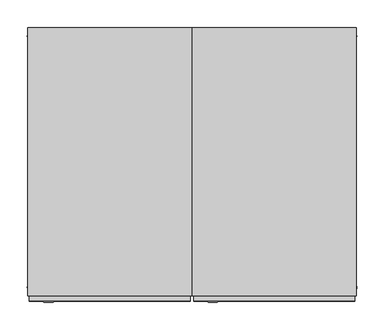
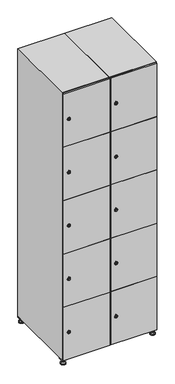
"""IFC4 building model written with IfcOpenShell, lengths in millimetres: furniture geometry."""

from ifc_helpers import new_model, si_unit, point, frame, frame_2d, origin, origin_with_axes, place, context, project, spatial, polyline, circle_curve, trimmed, segment, composite_curve, outline, extrude, faceted_brep, source, transform, mapped, element, save
from ifc_brep_helpers import plane_surface, revolved_surface, advanced_brep


def furniture_9e9843b9(model_context):
    return source(origin(), model_context, "Body", "SolidModel", [
        extrude(outline(polyline([(400.0, 245.0), (400.0, 215.0), (370.0, 215.0), (370.0, 245.0), (400.0, 245.0)]), holes=[polyline([(398.0, 243.0), (372.0, 243.0), (372.0, 217.0), (398.0, 217.0), (398.0, 243.0)])]), frame((0.0, 0.0, 28.5), z_axis=(0.0, 0.0, 1.0), x_axis=(1.0, 0.0, 0.0)), (0.0, 0.0, 1.0), 6.5),
        extrude(outline(polyline([(370.0, -245.0), (370.0, -215.0), (400.0, -215.0), (400.0, -245.0), (370.0, -245.0)]), holes=[polyline([(372.0, -243.0), (398.0, -243.0), (398.0, -217.0), (372.0, -217.0), (372.0, -243.0)])]), frame((0.0, 0.0, 28.5), z_axis=(0.0, 0.0, 1.0), x_axis=(1.0, 0.0, 0.0)), (0.0, 0.0, 1.0), 6.5),
        extrude(outline(polyline([(-170.0, 245.0), (-170.0, 215.0), (-200.0, 215.0), (-200.0, 245.0), (-170.0, 245.0)]), holes=[polyline([(-172.0, 243.0), (-198.0, 243.0), (-198.0, 217.0), (-172.0, 217.0), (-172.0, 243.0)])]), frame((0.0, 0.0, 28.5), z_axis=(0.0, 0.0, 1.0), x_axis=(1.0, 0.0, 0.0)), (0.0, 0.0, 1.0), 6.5),
        extrude(outline(polyline([(-170.0, -215.0), (-170.0, -245.0), (-200.0, -245.0), (-200.0, -215.0), (-170.0, -215.0)]), holes=[polyline([(-198.0, -243.0), (-172.0, -243.0), (-172.0, -217.0), (-198.0, -217.0), (-198.0, -243.0)])]), frame((0.0, 0.0, 28.5), z_axis=(0.0, 0.0, 1.0), x_axis=(1.0, 0.0, 0.0)), (0.0, 0.0, 1.0), 6.5),
        extrude(outline(composite_curve([segment(trimmed(circle_curve(frame_2d((-185.0, 230.0)), 5.0), [point((-180.0, 230.0))], [point((-190.0, 230.0))], False, "CARTESIAN"), True, "CONTINUOUS"), segment(trimmed(circle_curve(frame_2d((-185.0, 230.0)), 5.0), [point((-190.0, 230.0))], [point((-180.0, 230.0))], False, "CARTESIAN"), True, "CONTINUOUS")], self_intersect=False)), frame((0.0, 0.0, 19.6), z_axis=(0.0, 0.0, 1.0), x_axis=(1.0, 0.0, 0.0)), (0.0, 0.0, 1.0), 15.4),
        extrude(outline(composite_curve([segment(trimmed(circle_curve(frame_2d((-185.0, -230.0)), 5.0), [point((-180.0, -230.0))], [point((-190.0, -230.0))], False, "CARTESIAN"), True, "CONTINUOUS"), segment(trimmed(circle_curve(frame_2d((-185.0, -230.0)), 5.0), [point((-190.0, -230.0))], [point((-180.0, -230.0))], False, "CARTESIAN"), True, "CONTINUOUS")], self_intersect=False)), frame((0.0, 0.0, 19.6), z_axis=(0.0, 0.0, 1.0), x_axis=(1.0, 0.0, 0.0)), (0.0, 0.0, 1.0), 15.4),
        extrude(outline(composite_curve([segment(trimmed(circle_curve(frame_2d((385.0, 230.0)), 5.0), [point((390.0, 230.0))], [point((380.0, 230.0))], False, "CARTESIAN"), True, "CONTINUOUS"), segment(trimmed(circle_curve(frame_2d((385.0, 230.0)), 5.0), [point((380.0, 230.0))], [point((390.0, 230.0))], False, "CARTESIAN"), True, "CONTINUOUS")], self_intersect=False)), frame((0.0, 0.0, 19.6), z_axis=(0.0, 0.0, 1.0), x_axis=(1.0, 0.0, 0.0)), (0.0, 0.0, 1.0), 15.4),
        extrude(outline(polyline([(373.4529946, 230.0), (379.2264973, 240.0), (390.7735027, 240.0), (396.5470054, 230.0), (390.7735027, 220.0), (379.2264973, 220.0), (373.4529946, 230.0)])), frame((0.0, 0.0, 13.6), z_axis=(0.0, 0.0, 1.0), x_axis=(1.0, 0.0, 0.0)), (0.0, 0.0, 1.0), 6.0),
        extrude(outline(composite_curve([segment(trimmed(circle_curve(frame_2d((385.0, -230.0)), 5.0), [point((390.0, -230.0))], [point((380.0, -230.0))], False, "CARTESIAN"), True, "CONTINUOUS"), segment(trimmed(circle_curve(frame_2d((385.0, -230.0)), 5.0), [point((380.0, -230.0))], [point((390.0, -230.0))], False, "CARTESIAN"), True, "CONTINUOUS")], self_intersect=False)), frame((0.0, 0.0, 19.6), z_axis=(0.0, 0.0, 1.0), x_axis=(1.0, 0.0, 0.0)), (0.0, 0.0, 1.0), 15.4),
        extrude(outline(polyline([(373.4529946, -230.0), (379.2264973, -220.0), (390.7735027, -220.0), (396.5470054, -230.0), (390.7735027, -240.0), (379.2264973, -240.0), (373.4529946, -230.0)])), frame((0.0, 0.0, 13.6), z_axis=(0.0, 0.0, 1.0), x_axis=(1.0, 0.0, 0.0)), (0.0, 0.0, 1.0), 6.0),
        extrude(outline(composite_curve([segment(trimmed(circle_curve(frame_2d((385.0, 230.0)), 5.0), [point((390.0, 230.0))], [point((380.0, 230.0))], False, "CARTESIAN"), True, "CONTINUOUS"), segment(trimmed(circle_curve(frame_2d((385.0, 230.0)), 5.0), [point((380.0, 230.0))], [point((390.0, 230.0))], False, "CARTESIAN"), True, "CONTINUOUS")], self_intersect=False)), frame((0.0, 0.0, 12.1), z_axis=(0.0, 0.0, 1.0), x_axis=(1.0, 0.0, 0.0)), (0.0, 0.0, 1.0), 1.5),
        extrude(outline(composite_curve([segment(trimmed(circle_curve(frame_2d((385.0, -230.0)), 5.0), [point((390.0, -230.0))], [point((380.0, -230.0))], False, "CARTESIAN"), True, "CONTINUOUS"), segment(trimmed(circle_curve(frame_2d((385.0, -230.0)), 5.0), [point((380.0, -230.0))], [point((390.0, -230.0))], False, "CARTESIAN"), True, "CONTINUOUS")], self_intersect=False)), frame((0.0, 0.0, 12.1), z_axis=(0.0, 0.0, 1.0), x_axis=(1.0, 0.0, 0.0)), (0.0, 0.0, 1.0), 1.5),
        extrude(outline(polyline([(-196.5470054, 230.0), (-190.7735027, 240.0), (-179.2264973, 240.0), (-173.4529946, 230.0), (-179.2264973, 220.0), (-190.7735027, 220.0), (-196.5470054, 230.0)])), frame((0.0, 0.0, 13.6), z_axis=(0.0, 0.0, 1.0), x_axis=(1.0, 0.0, 0.0)), (0.0, 0.0, 1.0), 6.0),
        extrude(outline(polyline([(-196.5470054, -230.0), (-190.7735027, -220.0), (-179.2264973, -220.0), (-173.4529946, -230.0), (-179.2264973, -240.0), (-190.7735027, -240.0), (-196.5470054, -230.0)])), frame((0.0, 0.0, 13.6), z_axis=(0.0, 0.0, 1.0), x_axis=(1.0, 0.0, 0.0)), (0.0, 0.0, 1.0), 6.0),
        extrude(outline(composite_curve([segment(trimmed(circle_curve(frame_2d((-185.0, 230.0)), 5.0), [point((-185.0, 235.0))], [point((-185.0, 225.0))], False, "CARTESIAN"), True, "CONTINUOUS"), segment(trimmed(circle_curve(frame_2d((-185.0, 230.0)), 5.0), [point((-185.0, 225.0))], [point((-185.0, 235.0))], False, "CARTESIAN"), True, "CONTINUOUS")], self_intersect=False)), frame((0.0, 0.0, 12.1), z_axis=(0.0, 0.0, 1.0), x_axis=(1.0, 0.0, 0.0)), (0.0, 0.0, 1.0), 1.5),
        extrude(outline(composite_curve([segment(trimmed(circle_curve(frame_2d((-185.0, -230.0)), 5.0), [point((-180.0, -230.0))], [point((-190.0, -230.0))], False, "CARTESIAN"), True, "CONTINUOUS"), segment(trimmed(circle_curve(frame_2d((-185.0, -230.0)), 5.0), [point((-190.0, -230.0))], [point((-180.0, -230.0))], False, "CARTESIAN"), True, "CONTINUOUS")], self_intersect=False)), frame((0.0, 0.0, 12.1), z_axis=(0.0, 0.0, 1.0), x_axis=(1.0, 0.0, 0.0)), (0.0, 0.0, 1.0), 1.5),
        extrude(outline(composite_curve([segment(trimmed(circle_curve(frame_2d((385.0, 230.0)), 15.75), [point((400.75, 230.0))], [point((369.25, 230.0))], False, "CARTESIAN"), True, "CONTINUOUS"), segment(trimmed(circle_curve(frame_2d((385.0, 230.0)), 15.75), [point((369.25, 230.0))], [point((400.75, 230.0))], False, "CARTESIAN"), True, "CONTINUOUS")], self_intersect=False)), origin_with_axes(), (0.0, 0.0, 1.0), 5.1),
        extrude(outline(composite_curve([segment(trimmed(circle_curve(frame_2d((385.0, -230.0)), 15.75), [point((385.0, -214.25))], [point((385.0, -245.75))], False, "CARTESIAN"), True, "CONTINUOUS"), segment(trimmed(circle_curve(frame_2d((385.0, -230.0)), 15.75), [point((385.0, -245.75))], [point((385.0, -214.25))], False, "CARTESIAN"), True, "CONTINUOUS")], self_intersect=False)), origin_with_axes(), (0.0, 0.0, 1.0), 5.1),
        extrude(outline(composite_curve([segment(trimmed(circle_curve(frame_2d((-185.0, -230.0)), 15.75), [point((-169.25, -230.0))], [point((-200.75, -230.0))], False, "CARTESIAN"), True, "CONTINUOUS"), segment(trimmed(circle_curve(frame_2d((-185.0, -230.0)), 15.75), [point((-200.75, -230.0))], [point((-169.25, -230.0))], False, "CARTESIAN"), True, "CONTINUOUS")], self_intersect=False)), origin_with_axes(), (0.0, 0.0, 1.0), 5.1),
        extrude(outline(composite_curve([segment(trimmed(circle_curve(frame_2d((-185.0, 230.0)), 15.75), [point((-169.25, 230.0))], [point((-200.75, 230.0))], False, "CARTESIAN"), True, "CONTINUOUS"), segment(trimmed(circle_curve(frame_2d((-185.0, 230.0)), 15.75), [point((-200.75, 230.0))], [point((-169.25, 230.0))], False, "CARTESIAN"), True, "CONTINUOUS")], self_intersect=False)), origin_with_axes(), (0.0, 0.0, 1.0), 5.1),
        advanced_brep(
        [(-185.0, 239.5, 12.1), (-185.0, 220.5, 12.1), (-185.0, 214.25, 5.1), (-185.0, 245.75, 5.1)],
        [
            (0, 1, circle_curve(frame((-185.0, 230.0, 12.1), z_axis=(0.0, 0.0, -1.0), x_axis=(0.0, 1.0, 0.0)), 9.5)),
            (1, 2),
            (2, 3, circle_curve(frame((-185.0, 230.0, 5.1), z_axis=(0.0, 0.0, 1.0), x_axis=(0.0, 1.0, 0.0)), 15.75)),
            (3, 0),
            (1, 0, circle_curve(frame((-185.0, 230.0, 12.1), z_axis=(0.0, 0.0, -1.0), x_axis=(0.0, -1.0, 0.0)), 9.5)),
            (3, 2, circle_curve(frame((-185.0, 230.0, 5.1), z_axis=(0.0, 0.0, 1.0), x_axis=(0.0, -1.0, 0.0)), 15.75)),
        ],
        [
            revolved_surface(polyline([(-185.0, 220.5, 12.099999999999998), (-185.0, 214.25, 5.099999999999998)]), (-185.0, 230.0, 22.74), (0.0, 0.0, -1.0)),
            revolved_surface(polyline([(-185.0, 239.5, 12.099999999999998), (-185.0, 245.75, 5.099999999999998)]), (-185.0, 230.0, 22.74), (0.0, 0.0, -1.0)),
            plane_surface(frame((-185.0, 230.0, 5.1), z_axis=(0.0, 0.0, -1.0), x_axis=(1.0, 0.0, 0.0))),
            plane_surface(frame((-185.0, 230.0, 12.1), z_axis=(0.0, 0.0, 1.0), x_axis=(1.0, 0.0, 0.0))),
        ],
        [
            (0, [[1, 2, 3, 4]]),
            (1, [[5, -4, 6, -2]]),
            (2, [[-3, -6]]),
            (3, [[-5, -1]]),
        ],
    ),
        advanced_brep(
        [(385.0, 239.5, 12.1), (385.0, 220.5, 12.1), (385.0, 214.25, 5.1), (385.0, 245.75, 5.1)],
        [
            (0, 1, circle_curve(frame((385.0, 230.0, 12.1), z_axis=(0.0, 0.0, -1.0), x_axis=(0.0, 1.0, 0.0)), 9.5)),
            (1, 2),
            (2, 3, circle_curve(frame((385.0, 230.0, 5.1), z_axis=(0.0, 0.0, 1.0), x_axis=(0.0, 1.0, 0.0)), 15.75)),
            (3, 0),
            (1, 0, circle_curve(frame((385.0, 230.0, 12.1), z_axis=(0.0, 0.0, -1.0), x_axis=(0.0, -1.0, 0.0)), 9.5)),
            (3, 2, circle_curve(frame((385.0, 230.0, 5.1), z_axis=(0.0, 0.0, 1.0), x_axis=(0.0, -1.0, 0.0)), 15.75)),
        ],
        [
            revolved_surface(polyline([(385.0, 220.5, 12.099999999999998), (385.0, 214.25, 5.099999999999998)]), (385.0, 230.0, 22.74), (0.0, 0.0, -1.0)),
            revolved_surface(polyline([(385.0, 239.5, 12.099999999999998), (385.0, 245.75, 5.099999999999998)]), (385.0, 230.0, 22.74), (0.0, 0.0, -1.0)),
            plane_surface(frame((385.0, 230.0, 5.1), z_axis=(0.0, 0.0, -1.0), x_axis=(1.0, 0.0, 0.0))),
            plane_surface(frame((385.0, 230.0, 12.1), z_axis=(0.0, 0.0, 1.0), x_axis=(1.0, 0.0, 0.0))),
        ],
        [
            (0, [[1, 2, 3, 4]]),
            (1, [[5, -4, 6, -2]]),
            (2, [[-3, -6]]),
            (3, [[-5, -1]]),
        ],
    ),
        advanced_brep(
        [(400.75, -230.0, 5.1), (369.25, -230.0, 5.1), (375.5, -230.0, 12.1), (394.5, -230.0, 12.1)],
        [
            (0, 1, circle_curve(frame((385.0, -230.0, 5.1), z_axis=(0.0, 0.0, 1.0), x_axis=(1.0, 0.0, 0.0)), 15.75)),
            (1, 2),
            (2, 3, circle_curve(frame((385.0, -230.0, 12.1), z_axis=(0.0, 0.0, -1.0), x_axis=(1.0, 0.0, 0.0)), 9.5)),
            (3, 0),
            (1, 0, circle_curve(frame((385.0, -230.0, 5.1), z_axis=(0.0, 0.0, 1.0), x_axis=(-1.0, 0.0, 0.0)), 15.75)),
            (3, 2, circle_curve(frame((385.0, -230.0, 12.1), z_axis=(0.0, 0.0, -1.0), x_axis=(-1.0, 0.0, 0.0)), 9.5)),
        ],
        [
            revolved_surface(polyline([(394.5, -230.0, 12.099999999999998), (400.75, -230.0, 5.099999999999998)]), (385.0, -230.0, 22.74), (0.0, 0.0, -1.0)),
            revolved_surface(polyline([(375.5, -230.0, 12.099999999999998), (369.25, -230.0, 5.099999999999998)]), (385.0, -230.0, 22.74), (0.0, 0.0, -1.0)),
            plane_surface(frame((385.0, -230.0, 12.1), z_axis=(0.0, 0.0, 1.0), x_axis=(0.0, 1.0, 0.0))),
            plane_surface(frame((385.0, -230.0, 5.1), z_axis=(0.0, 0.0, -1.0), x_axis=(0.0, 1.0, 0.0))),
        ],
        [
            (0, [[1, 2, 3, 4]]),
            (1, [[5, -4, 6, -2]]),
            (2, [[-3, -6]]),
            (3, [[-5, -1]]),
        ],
    ),
        advanced_brep(
        [(-169.25, -230.0, 5.1), (-200.75, -230.0, 5.1), (-194.5, -230.0, 12.1), (-175.5, -230.0, 12.1)],
        [
            (0, 1, circle_curve(frame((-185.0, -230.0, 5.1), z_axis=(0.0, 0.0, 1.0), x_axis=(1.0, 0.0, 0.0)), 15.75)),
            (1, 2),
            (2, 3, circle_curve(frame((-185.0, -230.0, 12.1), z_axis=(0.0, 0.0, -1.0), x_axis=(1.0, 0.0, 0.0)), 9.5)),
            (3, 0),
            (1, 0, circle_curve(frame((-185.0, -230.0, 5.1), z_axis=(0.0, 0.0, 1.0), x_axis=(-1.0, 0.0, 0.0)), 15.75)),
            (3, 2, circle_curve(frame((-185.0, -230.0, 12.1), z_axis=(0.0, 0.0, -1.0), x_axis=(-1.0, 0.0, 0.0)), 9.5)),
        ],
        [
            revolved_surface(polyline([(-175.5, -230.0, 12.099999999999998), (-169.25, -230.0, 5.099999999999998)]), (-185.0, -230.0, 22.74), (0.0, 0.0, -1.0)),
            revolved_surface(polyline([(-194.5, -230.0, 12.099999999999998), (-200.75, -230.0, 5.099999999999998)]), (-185.0, -230.0, 22.74), (0.0, 0.0, -1.0)),
            plane_surface(frame((-185.0, -230.0, 12.1), z_axis=(0.0, 0.0, 1.0), x_axis=(0.0, 1.0, 0.0))),
            plane_surface(frame((-185.0, -230.0, 5.1), z_axis=(0.0, 0.0, -1.0), x_axis=(0.0, 1.0, 0.0))),
        ],
        [
            (0, [[1, 2, 3, 4]]),
            (1, [[5, -4, 6, -2]]),
            (2, [[-3, -6]]),
            (3, [[-5, -1]]),
        ],
    ),
        extrude(outline(composite_curve([segment(trimmed(circle_curve(frame_2d((217.4, 111.2010534)), 7.0), [point((224.4, 111.2010534))], [point((210.4, 111.2010534))], False, "CARTESIAN"), True, "CONTINUOUS"), segment(polyline([(210.4, 111.2010534), (210.4, 139.2010534)]), True, "CONTINUOUS"), segment(trimmed(circle_curve(frame_2d((217.4, 139.2010534)), 7.0), [point((210.4, 139.2010534))], [point((224.4, 139.2010534))], False, "CARTESIAN"), True, "CONTINUOUS"), segment(polyline([(224.4, 139.2010534), (224.4, 111.2010534)]), True, "CONTINUOUS")], self_intersect=False)), frame((0.0, -245.0, 0.0), z_axis=(0.0, 1.0, 0.0), x_axis=(0.0, 0.0, 1.0)), (0.0, 0.0, 1.0), 2.0),
        advanced_brep(
        [(146.5, -257.2, 217.4), (129.5, -257.2, 217.4), (133.0, -257.2, 216.15), (133.0, -257.2, 218.65), (143.0, -257.2, 218.65), (143.0, -257.2, 216.15), (148.5, -255.0, 217.4), (127.5, -255.0, 217.4), (133.0, -255.0, 218.65), (133.0, -255.0, 216.15), (143.0, -255.0, 216.15), (143.0, -255.0, 218.65)],
        [
            (0, 1, circle_curve(frame((138.0, -257.2, 217.4), z_axis=(0.0, -1.0, 0.0), x_axis=(1.0, 0.0, 0.0)), 8.5)),
            (1, 0, circle_curve(frame((138.0, -257.2, 217.4), z_axis=(0.0, -1.0, 0.0), x_axis=(-1.0, 0.0, 0.0)), 8.5)),
            (2, 3),
            (3, 4),
            (4, 5),
            (5, 2),
            (6, 7, circle_curve(frame((138.0, -255.0, 217.4), z_axis=(0.0, 1.0, 0.0), x_axis=(-1.0, 0.0, 0.0)), 10.5)),
            (7, 6, circle_curve(frame((138.0, -255.0, 217.4), z_axis=(0.0, 1.0, 0.0), x_axis=(1.0, 0.0, 0.0)), 10.5)),
            (8, 9),
            (9, 10),
            (10, 11),
            (11, 8),
            (0, 6),
            (7, 1),
            (8, 3),
            (2, 9),
            (11, 4),
            (10, 5),
        ],
        [
            plane_surface(frame((138.0, -257.2, 217.4), z_axis=(0.0, -1.0, 0.0), x_axis=(0.0, 0.0, 1.0))),
            plane_surface(frame((138.0, -255.0, 217.4), z_axis=(0.0, 1.0, 0.0), x_axis=(0.0, 0.0, 1.0))),
            revolved_surface(polyline([(146.5, -257.2, 217.4), (148.5, -255.0, 217.4)]), (138.0, -266.55, 217.4), (0.0, 1.0, 0.0)),
            revolved_surface(polyline([(129.5, -257.2, 217.4), (127.5, -255.0, 217.4)]), (138.0, -266.55, 217.4), (0.0, 1.0, 0.0)),
            plane_surface(frame((133.0, -255.0, 216.15), z_axis=(1.0, 0.0, 0.0), x_axis=(0.0, -1.0, 0.0))),
            plane_surface(frame((133.0, -255.0, 218.65), z_axis=(0.0, 0.0, -1.0), x_axis=(0.0, -1.0, 0.0))),
            plane_surface(frame((143.0, -255.0, 218.65), z_axis=(-1.0, 0.0, 0.0), x_axis=(0.0, -1.0, 0.0))),
            plane_surface(frame((143.0, -255.0, 216.15), z_axis=(0.0, 0.0, 1.0), x_axis=(0.0, -1.0, 0.0))),
        ],
        [
            (0, [[1, 2], [3, 4, 5, 6]]),
            (1, [[7, 8], [9, 10, 11, 12]]),
            (2, [[-1, 13, -8, 14]]),
            (3, [[-2, -14, -7, -13]]),
            (4, [[15, -3, 16, -9]]),
            (5, [[-15, -12, 17, -4]]),
            (6, [[-17, -11, 18, -5]]),
            (7, [[-16, -6, -18, -10]]),
        ],
    ),
        extrude(outline(composite_curve([segment(trimmed(circle_curve(frame_2d((576.2, 111.2010534)), 7.0), [point((583.2, 111.2010534))], [point((569.2, 111.2010534))], False, "CARTESIAN"), True, "CONTINUOUS"), segment(polyline([(569.2, 111.2010534), (569.2, 139.2010534)]), True, "CONTINUOUS"), segment(trimmed(circle_curve(frame_2d((576.2, 139.2010534)), 7.0), [point((569.2, 139.2010534))], [point((583.2, 139.2010534))], False, "CARTESIAN"), True, "CONTINUOUS"), segment(polyline([(583.2, 139.2010534), (583.2, 111.2010534)]), True, "CONTINUOUS")], self_intersect=False)), frame((0.0, -245.0, 0.0), z_axis=(0.0, 1.0, 0.0), x_axis=(0.0, 0.0, 1.0)), (0.0, 0.0, 1.0), 2.0),
        advanced_brep(
        [(146.5, -257.2, 576.2), (129.5, -257.2, 576.2), (133.0, -257.2, 574.95), (133.0, -257.2, 577.45), (143.0, -257.2, 577.45), (143.0, -257.2, 574.95), (148.5, -255.0, 576.2), (127.5, -255.0, 576.2), (133.0, -255.0, 577.45), (133.0, -255.0, 574.95), (143.0, -255.0, 574.95), (143.0, -255.0, 577.45)],
        [
            (0, 1, circle_curve(frame((138.0, -257.2, 576.2), z_axis=(0.0, -1.0, 0.0), x_axis=(1.0, 0.0, 0.0)), 8.5)),
            (1, 0, circle_curve(frame((138.0, -257.2, 576.2), z_axis=(0.0, -1.0, 0.0), x_axis=(-1.0, 0.0, 0.0)), 8.5)),
            (2, 3),
            (3, 4),
            (4, 5),
            (5, 2),
            (6, 7, circle_curve(frame((138.0, -255.0, 576.2), z_axis=(0.0, 1.0, 0.0), x_axis=(-1.0, 0.0, 0.0)), 10.5)),
            (7, 6, circle_curve(frame((138.0, -255.0, 576.2), z_axis=(0.0, 1.0, 0.0), x_axis=(1.0, 0.0, 0.0)), 10.5)),
            (8, 9),
            (9, 10),
            (10, 11),
            (11, 8),
            (0, 6),
            (7, 1),
            (8, 3),
            (2, 9),
            (11, 4),
            (10, 5),
        ],
        [
            plane_surface(frame((138.0, -257.2, 576.2), z_axis=(0.0, -1.0, 0.0), x_axis=(0.0, 0.0, 1.0))),
            plane_surface(frame((138.0, -255.0, 576.2), z_axis=(0.0, 1.0, 0.0), x_axis=(0.0, 0.0, 1.0))),
            revolved_surface(polyline([(146.5, -257.2, 576.2), (148.5, -255.0, 576.2)]), (138.0, -266.55, 576.2), (0.0, 1.0, 0.0)),
            revolved_surface(polyline([(129.5, -257.2, 576.2), (127.5, -255.0, 576.2)]), (138.0, -266.55, 576.2), (0.0, 1.0, 0.0)),
            plane_surface(frame((133.0, -255.0, 574.95), z_axis=(1.0, 0.0, 0.0), x_axis=(0.0, -1.0, 0.0))),
            plane_surface(frame((133.0, -255.0, 577.45), z_axis=(0.0, 0.0, -1.0), x_axis=(0.0, -1.0, 0.0))),
            plane_surface(frame((143.0, -255.0, 577.45), z_axis=(-1.0, 0.0, 0.0), x_axis=(0.0, -1.0, 0.0))),
            plane_surface(frame((143.0, -255.0, 574.95), z_axis=(0.0, 0.0, 1.0), x_axis=(0.0, -1.0, 0.0))),
        ],
        [
            (0, [[1, 2], [3, 4, 5, 6]]),
            (1, [[7, 8], [9, 10, 11, 12]]),
            (2, [[-1, 13, -8, 14]]),
            (3, [[-2, -14, -7, -13]]),
            (4, [[15, -3, 16, -9]]),
            (5, [[-15, -12, 17, -4]]),
            (6, [[-17, -11, 18, -5]]),
            (7, [[-16, -6, -18, -10]]),
        ],
    ),
        extrude(outline(composite_curve([segment(trimmed(circle_curve(frame_2d((935.0, 111.2010534)), 7.0), [point((942.0, 111.2010534))], [point((928.0, 111.2010534))], False, "CARTESIAN"), True, "CONTINUOUS"), segment(polyline([(928.0, 111.2010534), (928.0, 139.2010534)]), True, "CONTINUOUS"), segment(trimmed(circle_curve(frame_2d((935.0, 139.2010534)), 7.0), [point((928.0, 139.2010534))], [point((942.0, 139.2010534))], False, "CARTESIAN"), True, "CONTINUOUS"), segment(polyline([(942.0, 139.2010534), (942.0, 111.2010534)]), True, "CONTINUOUS")], self_intersect=False)), frame((0.0, -245.0, 0.0), z_axis=(0.0, 1.0, 0.0), x_axis=(0.0, 0.0, 1.0)), (0.0, 0.0, 1.0), 2.0),
        advanced_brep(
        [(146.5, -257.2, 935.0), (129.5, -257.2, 935.0), (133.0, -257.2, 933.75), (133.0, -257.2, 936.25), (143.0, -257.2, 936.25), (143.0, -257.2, 933.75), (148.5, -255.0, 935.0), (127.5, -255.0, 935.0), (133.0, -255.0, 936.25), (133.0, -255.0, 933.75), (143.0, -255.0, 933.75), (143.0, -255.0, 936.25)],
        [
            (0, 1, circle_curve(frame((138.0, -257.2, 935.0), z_axis=(0.0, -1.0, 0.0), x_axis=(1.0, 0.0, 0.0)), 8.5)),
            (1, 0, circle_curve(frame((138.0, -257.2, 935.0), z_axis=(0.0, -1.0, 0.0), x_axis=(-1.0, 0.0, 0.0)), 8.5)),
            (2, 3),
            (3, 4),
            (4, 5),
            (5, 2),
            (6, 7, circle_curve(frame((138.0, -255.0, 935.0), z_axis=(0.0, 1.0, 0.0), x_axis=(-1.0, 0.0, 0.0)), 10.5)),
            (7, 6, circle_curve(frame((138.0, -255.0, 935.0), z_axis=(0.0, 1.0, 0.0), x_axis=(1.0, 0.0, 0.0)), 10.5)),
            (8, 9),
            (9, 10),
            (10, 11),
            (11, 8),
            (0, 6),
            (7, 1),
            (8, 3),
            (2, 9),
            (11, 4),
            (10, 5),
        ],
        [
            plane_surface(frame((138.0, -257.2, 935.0), z_axis=(0.0, -1.0, 0.0), x_axis=(0.0, 0.0, 1.0))),
            plane_surface(frame((138.0, -255.0, 935.0), z_axis=(0.0, 1.0, 0.0), x_axis=(0.0, 0.0, 1.0))),
            revolved_surface(polyline([(146.5, -257.2, 935.0), (148.5, -255.0, 935.0)]), (138.0, -266.55, 935.0), (0.0, 1.0, 0.0)),
            revolved_surface(polyline([(129.5, -257.2, 935.0), (127.5, -255.0, 935.0)]), (138.0, -266.55, 935.0), (0.0, 1.0, 0.0)),
            plane_surface(frame((133.0, -255.0, 933.75), z_axis=(1.0, 0.0, 0.0), x_axis=(0.0, -1.0, 0.0))),
            plane_surface(frame((133.0, -255.0, 936.25), z_axis=(0.0, 0.0, -1.0), x_axis=(0.0, -1.0, 0.0))),
            plane_surface(frame((143.0, -255.0, 936.25), z_axis=(-1.0, 0.0, 0.0), x_axis=(0.0, -1.0, 0.0))),
            plane_surface(frame((143.0, -255.0, 933.75), z_axis=(0.0, 0.0, 1.0), x_axis=(0.0, -1.0, 0.0))),
        ],
        [
            (0, [[1, 2], [3, 4, 5, 6]]),
            (1, [[7, 8], [9, 10, 11, 12]]),
            (2, [[-1, 13, -8, 14]]),
            (3, [[-2, -14, -7, -13]]),
            (4, [[15, -3, 16, -9]]),
            (5, [[-15, -12, 17, -4]]),
            (6, [[-17, -11, 18, -5]]),
            (7, [[-16, -6, -18, -10]]),
        ],
    ),
        extrude(outline(composite_curve([segment(trimmed(circle_curve(frame_2d((1293.8, 111.2010534)), 7.0), [point((1300.8, 111.2010534))], [point((1286.8, 111.2010534))], False, "CARTESIAN"), True, "CONTINUOUS"), segment(polyline([(1286.8, 111.2010534), (1286.8, 139.2010534)]), True, "CONTINUOUS"), segment(trimmed(circle_curve(frame_2d((1293.8, 139.2010534)), 7.0), [point((1286.8, 139.2010534))], [point((1300.8, 139.2010534))], False, "CARTESIAN"), True, "CONTINUOUS"), segment(polyline([(1300.8, 139.2010534), (1300.8, 111.2010534)]), True, "CONTINUOUS")], self_intersect=False)), frame((0.0, -245.0, 0.0), z_axis=(0.0, 1.0, 0.0), x_axis=(0.0, 0.0, 1.0)), (0.0, 0.0, 1.0), 2.0),
        advanced_brep(
        [(146.5, -257.2, 1293.8), (129.5, -257.2, 1293.8), (133.0, -257.2, 1292.55), (133.0, -257.2, 1295.05), (143.0, -257.2, 1295.05), (143.0, -257.2, 1292.55), (148.5, -255.0, 1293.8), (127.5, -255.0, 1293.8), (133.0, -255.0, 1295.05), (133.0, -255.0, 1292.55), (143.0, -255.0, 1292.55), (143.0, -255.0, 1295.05)],
        [
            (0, 1, circle_curve(frame((138.0, -257.2, 1293.8), z_axis=(0.0, -1.0, 0.0), x_axis=(1.0, 0.0, 0.0)), 8.5)),
            (1, 0, circle_curve(frame((138.0, -257.2, 1293.8), z_axis=(0.0, -1.0, 0.0), x_axis=(-1.0, 0.0, 0.0)), 8.5)),
            (2, 3),
            (3, 4),
            (4, 5),
            (5, 2),
            (6, 7, circle_curve(frame((138.0, -255.0, 1293.8), z_axis=(0.0, 1.0, 0.0), x_axis=(-1.0, 0.0, 0.0)), 10.5)),
            (7, 6, circle_curve(frame((138.0, -255.0, 1293.8), z_axis=(0.0, 1.0, 0.0), x_axis=(1.0, 0.0, 0.0)), 10.5)),
            (8, 9),
            (9, 10),
            (10, 11),
            (11, 8),
            (0, 6),
            (7, 1),
            (8, 3),
            (2, 9),
            (11, 4),
            (10, 5),
        ],
        [
            plane_surface(frame((138.0, -257.2, 1293.8), z_axis=(0.0, -1.0, 0.0), x_axis=(0.0, 0.0, 1.0))),
            plane_surface(frame((138.0, -255.0, 1293.8), z_axis=(0.0, 1.0, 0.0), x_axis=(0.0, 0.0, 1.0))),
            revolved_surface(polyline([(146.5, -257.2, 1293.8), (148.5, -255.0, 1293.8)]), (138.0, -266.55, 1293.8), (0.0, 1.0, 0.0)),
            revolved_surface(polyline([(129.5, -257.2, 1293.8), (127.5, -255.0, 1293.8)]), (138.0, -266.55, 1293.8), (0.0, 1.0, 0.0)),
            plane_surface(frame((133.0, -255.0, 1292.55), z_axis=(1.0, 0.0, 0.0), x_axis=(0.0, -1.0, 0.0))),
            plane_surface(frame((133.0, -255.0, 1295.05), z_axis=(0.0, 0.0, -1.0), x_axis=(0.0, -1.0, 0.0))),
            plane_surface(frame((143.0, -255.0, 1295.05), z_axis=(-1.0, 0.0, 0.0), x_axis=(0.0, -1.0, 0.0))),
            plane_surface(frame((143.0, -255.0, 1292.55), z_axis=(0.0, 0.0, 1.0), x_axis=(0.0, -1.0, 0.0))),
        ],
        [
            (0, [[1, 2], [3, 4, 5, 6]]),
            (1, [[7, 8], [9, 10, 11, 12]]),
            (2, [[-1, 13, -8, 14]]),
            (3, [[-2, -14, -7, -13]]),
            (4, [[15, -3, 16, -9]]),
            (5, [[-15, -12, 17, -4]]),
            (6, [[-17, -11, 18, -5]]),
            (7, [[-16, -6, -18, -10]]),
        ],
    ),
        extrude(outline(composite_curve([segment(trimmed(circle_curve(frame_2d((1652.6, 111.2010534)), 7.0), [point((1659.6, 111.2010534))], [point((1645.6, 111.2010534))], False, "CARTESIAN"), True, "CONTINUOUS"), segment(polyline([(1645.6, 111.2010534), (1645.6, 139.2010534)]), True, "CONTINUOUS"), segment(trimmed(circle_curve(frame_2d((1652.6, 139.2010534)), 7.0), [point((1645.6, 139.2010534))], [point((1659.6, 139.2010534))], False, "CARTESIAN"), True, "CONTINUOUS"), segment(polyline([(1659.6, 139.2010534), (1659.6, 111.2010534)]), True, "CONTINUOUS")], self_intersect=False)), frame((0.0, -245.0, 0.0), z_axis=(0.0, 1.0, 0.0), x_axis=(0.0, 0.0, 1.0)), (0.0, 0.0, 1.0), 2.0),
        advanced_brep(
        [(146.5, -257.2, 1652.6), (129.5, -257.2, 1652.6), (133.0, -257.2, 1651.35), (133.0, -257.2, 1653.85), (143.0, -257.2, 1653.85), (143.0, -257.2, 1651.35), (148.5, -255.0, 1652.6), (127.5, -255.0, 1652.6), (133.0, -255.0, 1653.85), (133.0, -255.0, 1651.35), (143.0, -255.0, 1651.35), (143.0, -255.0, 1653.85)],
        [
            (0, 1, circle_curve(frame((138.0, -257.2, 1652.6), z_axis=(0.0, -1.0, 0.0), x_axis=(1.0, 0.0, 0.0)), 8.5)),
            (1, 0, circle_curve(frame((138.0, -257.2, 1652.6), z_axis=(0.0, -1.0, 0.0), x_axis=(-1.0, 0.0, 0.0)), 8.5)),
            (2, 3),
            (3, 4),
            (4, 5),
            (5, 2),
            (6, 7, circle_curve(frame((138.0, -255.0, 1652.6), z_axis=(0.0, 1.0, 0.0), x_axis=(-1.0, 0.0, 0.0)), 10.5)),
            (7, 6, circle_curve(frame((138.0, -255.0, 1652.6), z_axis=(0.0, 1.0, 0.0), x_axis=(1.0, 0.0, 0.0)), 10.5)),
            (8, 9),
            (9, 10),
            (10, 11),
            (11, 8),
            (0, 6),
            (7, 1),
            (8, 3),
            (2, 9),
            (11, 4),
            (10, 5),
        ],
        [
            plane_surface(frame((138.0, -257.2, 1652.6), z_axis=(0.0, -1.0, 0.0), x_axis=(0.0, 0.0, 1.0))),
            plane_surface(frame((138.0, -255.0, 1652.6), z_axis=(0.0, 1.0, 0.0), x_axis=(0.0, 0.0, 1.0))),
            revolved_surface(polyline([(146.5, -257.2, 1652.6), (148.5, -255.0, 1652.6)]), (138.0, -266.55, 1652.6), (0.0, 1.0, 0.0)),
            revolved_surface(polyline([(129.5, -257.2, 1652.6), (127.5, -255.0, 1652.6)]), (138.0, -266.55, 1652.6), (0.0, 1.0, 0.0)),
            plane_surface(frame((133.0, -255.0, 1651.35), z_axis=(1.0, 0.0, 0.0), x_axis=(0.0, -1.0, 0.0))),
            plane_surface(frame((133.0, -255.0, 1653.85), z_axis=(0.0, 0.0, -1.0), x_axis=(0.0, -1.0, 0.0))),
            plane_surface(frame((143.0, -255.0, 1653.85), z_axis=(-1.0, 0.0, 0.0), x_axis=(0.0, -1.0, 0.0))),
            plane_surface(frame((143.0, -255.0, 1651.35), z_axis=(0.0, 0.0, 1.0), x_axis=(0.0, -1.0, 0.0))),
        ],
        [
            (0, [[1, 2], [3, 4, 5, 6]]),
            (1, [[7, 8], [9, 10, 11, 12]]),
            (2, [[-1, 13, -8, 14]]),
            (3, [[-2, -14, -7, -13]]),
            (4, [[15, -3, 16, -9]]),
            (5, [[-15, -12, 17, -4]]),
            (6, [[-17, -11, 18, -5]]),
            (7, [[-16, -6, -18, -10]]),
        ],
    ),
        extrude(outline(polyline([(397.0, -245.0), (397.0, -255.0), (103.0, -255.0), (103.0, -245.0), (397.0, -245.0)])), frame((0.0, 0.0, 755.1), z_axis=(0.0, 0.0, 1.0), x_axis=(1.0, 0.0, 0.0)), (0.0, 0.0, 1.0), 359.8),
        extrude(outline(polyline([(397.0, -245.0), (397.0, -255.0), (103.0, -255.0), (103.0, -245.0), (397.0, -245.0)])), frame((0.0, 0.0, 396.3), z_axis=(0.0, 0.0, 1.0), x_axis=(1.0, 0.0, 0.0)), (0.0, 0.0, 1.0), 359.8),
        extrude(outline(polyline([(397.0, -245.0), (397.0, -255.0), (103.0, -255.0), (103.0, -245.0), (397.0, -245.0)])), frame((0.0, 0.0, 1113.9), z_axis=(0.0, 0.0, 1.0), x_axis=(1.0, 0.0, 0.0)), (0.0, 0.0, 1.0), 358.8),
        extrude(outline(polyline([(103.0, -255.0), (103.0, -245.0), (397.0, -245.0), (397.0, -255.0), (103.0, -255.0)])), frame((0.0, 0.0, 1473.7), z_axis=(0.0, 0.0, 1.0), x_axis=(1.0, 0.0, 0.0)), (0.0, 0.0, 1.0), 358.3),
        extrude(outline(polyline([(397.0, -245.0), (397.0, -255.0), (103.0, -255.0), (103.0, -245.0), (397.0, -245.0)])), frame((0.0, 0.0, 38.0), z_axis=(0.0, 0.0, 1.0), x_axis=(1.0, 0.0, 0.0)), (0.0, 0.0, 1.0), 359.3),
        extrude(outline(polyline([(379.6, 242.0), (379.6, -235.0), (120.4, -235.0), (120.4, 242.0), (379.6, 242.0)])), frame((0.0, 0.0, 1446.68), z_axis=(0.0, 0.0, 1.0), x_axis=(1.0, 0.0, 0.0)), (0.0, 0.0, 1.0), 20.4),
        extrude(outline(polyline([(379.6, 242.0), (379.6, -235.0), (120.4, -235.0), (120.4, 242.0), (379.6, 242.0)])), frame((0.0, 0.0, 1098.76), z_axis=(0.0, 0.0, 1.0), x_axis=(1.0, 0.0, 0.0)), (0.0, 0.0, 1.0), 20.4),
        extrude(outline(polyline([(379.6, 242.0), (379.6, -235.0), (120.4, -235.0), (120.4, 242.0), (379.6, 242.0)])), frame((0.0, 0.0, 750.84), z_axis=(0.0, 0.0, 1.0), x_axis=(1.0, 0.0, 0.0)), (0.0, 0.0, 1.0), 20.4),
        extrude(outline(polyline([(120.4, 242.0), (379.6, 242.0), (379.6, -235.0), (120.4, -235.0), (120.4, 242.0)])), frame((0.0, 0.0, 402.92), z_axis=(0.0, 0.0, 1.0), x_axis=(1.0, 0.0, 0.0)), (0.0, 0.0, 1.0), 20.4),
        faceted_brep([(400.0, -245.0, 35.0), (400.0, -245.0, 1835.0), (100.0, -245.0, 1835.0), (100.0, -245.0, 35.0), (379.6, -245.0, 1804.8), (379.6, -245.0, 65.2), (120.4, -245.0, 65.2), (120.4, -245.0, 1804.8), (400.0, 245.0, 35.0), (100.0, 245.0, 35.0), (400.0, 245.0, 1835.0), (100.0, 245.0, 1835.0), (379.6, 242.0, 1804.8), (379.6, 242.0, 65.2), (100.0, 245.0, 1804.8), (120.4, 242.0, 1804.8), (120.4, 242.0, 65.2)], [[[0, 1, 2, 3], [4, 5, 6, 7]], [[8, 0, 3, 9]], [[1, 0, 8, 10]], [[1, 10, 11, 2]], [[4, 12, 13, 5]], [[9, 3, 2, 11, 14]], [[10, 8, 9, 14, 11]], [[12, 15, 16, 13]], [[15, 7, 6, 16]], [[4, 7, 15, 12]], [[6, 5, 13, 16]]]),
        extrude(outline(composite_curve([segment(trimmed(circle_curve(frame_2d((217.4, -188.7989466)), 7.0), [point((224.4, -188.7989466))], [point((210.4, -188.7989466))], False, "CARTESIAN"), True, "CONTINUOUS"), segment(polyline([(210.4, -188.7989466), (210.4, -160.7989466)]), True, "CONTINUOUS"), segment(trimmed(circle_curve(frame_2d((217.4, -160.7989466)), 7.0), [point((210.4, -160.7989466))], [point((224.4, -160.7989466))], False, "CARTESIAN"), True, "CONTINUOUS"), segment(polyline([(224.4, -160.7989466), (224.4, -188.7989466)]), True, "CONTINUOUS")], self_intersect=False)), frame((0.0, -245.0, 0.0), z_axis=(0.0, 1.0, 0.0), x_axis=(0.0, 0.0, 1.0)), (0.0, 0.0, 1.0), 2.0),
        advanced_brep(
        [(-153.5, -257.2, 217.4), (-170.5, -257.2, 217.4), (-167.0, -257.2, 216.15), (-167.0, -257.2, 218.65), (-157.0, -257.2, 218.65), (-157.0, -257.2, 216.15), (-151.5, -255.0, 217.4), (-172.5, -255.0, 217.4), (-167.0, -255.0, 218.65), (-167.0, -255.0, 216.15), (-157.0, -255.0, 216.15), (-157.0, -255.0, 218.65)],
        [
            (0, 1, circle_curve(frame((-162.0, -257.2, 217.4), z_axis=(0.0, -1.0, 0.0), x_axis=(1.0, 0.0, 0.0)), 8.5)),
            (1, 0, circle_curve(frame((-162.0, -257.2, 217.4), z_axis=(0.0, -1.0, 0.0), x_axis=(-1.0, 0.0, 0.0)), 8.5)),
            (2, 3),
            (3, 4),
            (4, 5),
            (5, 2),
            (6, 7, circle_curve(frame((-162.0, -255.0, 217.4), z_axis=(0.0, 1.0, 0.0), x_axis=(-1.0, 0.0, 0.0)), 10.5)),
            (7, 6, circle_curve(frame((-162.0, -255.0, 217.4), z_axis=(0.0, 1.0, 0.0), x_axis=(1.0, 0.0, 0.0)), 10.5)),
            (8, 9),
            (9, 10),
            (10, 11),
            (11, 8),
            (0, 6),
            (7, 1),
            (8, 3),
            (2, 9),
            (11, 4),
            (10, 5),
        ],
        [
            plane_surface(frame((-162.0, -257.2, 217.4), z_axis=(0.0, -1.0, 0.0), x_axis=(0.0, 0.0, 1.0))),
            plane_surface(frame((-162.0, -255.0, 217.4), z_axis=(0.0, 1.0, 0.0), x_axis=(0.0, 0.0, 1.0))),
            revolved_surface(polyline([(-153.5, -257.2, 217.4), (-151.5, -255.0, 217.4)]), (-162.0, -266.55, 217.4), (0.0, 1.0, 0.0)),
            revolved_surface(polyline([(-170.5, -257.2, 217.4), (-172.5, -255.0, 217.4)]), (-162.0, -266.55, 217.4), (0.0, 1.0, 0.0)),
            plane_surface(frame((-167.0, -255.0, 216.15), z_axis=(1.0, 0.0, 0.0), x_axis=(0.0, -1.0, 0.0))),
            plane_surface(frame((-167.0, -255.0, 218.65), z_axis=(0.0, 0.0, -1.0), x_axis=(0.0, -1.0, 0.0))),
            plane_surface(frame((-157.0, -255.0, 218.65), z_axis=(-1.0, 0.0, 0.0), x_axis=(0.0, -1.0, 0.0))),
            plane_surface(frame((-157.0, -255.0, 216.15), z_axis=(0.0, 0.0, 1.0), x_axis=(0.0, -1.0, 0.0))),
        ],
        [
            (0, [[1, 2], [3, 4, 5, 6]]),
            (1, [[7, 8], [9, 10, 11, 12]]),
            (2, [[-1, 13, -8, 14]]),
            (3, [[-2, -14, -7, -13]]),
            (4, [[15, -3, 16, -9]]),
            (5, [[-15, -12, 17, -4]]),
            (6, [[-17, -11, 18, -5]]),
            (7, [[-16, -6, -18, -10]]),
        ],
    ),
        extrude(outline(composite_curve([segment(trimmed(circle_curve(frame_2d((576.2, -188.7989466)), 7.0), [point((583.2, -188.7989466))], [point((569.2, -188.7989466))], False, "CARTESIAN"), True, "CONTINUOUS"), segment(polyline([(569.2, -188.7989466), (569.2, -160.7989466)]), True, "CONTINUOUS"), segment(trimmed(circle_curve(frame_2d((576.2, -160.7989466)), 7.0), [point((569.2, -160.7989466))], [point((583.2, -160.7989466))], False, "CARTESIAN"), True, "CONTINUOUS"), segment(polyline([(583.2, -160.7989466), (583.2, -188.7989466)]), True, "CONTINUOUS")], self_intersect=False)), frame((0.0, -245.0, 0.0), z_axis=(0.0, 1.0, 0.0), x_axis=(0.0, 0.0, 1.0)), (0.0, 0.0, 1.0), 2.0),
        advanced_brep(
        [(-153.5, -257.2, 576.2), (-170.5, -257.2, 576.2), (-167.0, -257.2, 574.95), (-167.0, -257.2, 577.45), (-157.0, -257.2, 577.45), (-157.0, -257.2, 574.95), (-151.5, -255.0, 576.2), (-172.5, -255.0, 576.2), (-167.0, -255.0, 577.45), (-167.0, -255.0, 574.95), (-157.0, -255.0, 574.95), (-157.0, -255.0, 577.45)],
        [
            (0, 1, circle_curve(frame((-162.0, -257.2, 576.2), z_axis=(0.0, -1.0, 0.0), x_axis=(1.0, 0.0, 0.0)), 8.5)),
            (1, 0, circle_curve(frame((-162.0, -257.2, 576.2), z_axis=(0.0, -1.0, 0.0), x_axis=(-1.0, 0.0, 0.0)), 8.5)),
            (2, 3),
            (3, 4),
            (4, 5),
            (5, 2),
            (6, 7, circle_curve(frame((-162.0, -255.0, 576.2), z_axis=(0.0, 1.0, 0.0), x_axis=(-1.0, 0.0, 0.0)), 10.5)),
            (7, 6, circle_curve(frame((-162.0, -255.0, 576.2), z_axis=(0.0, 1.0, 0.0), x_axis=(1.0, 0.0, 0.0)), 10.5)),
            (8, 9),
            (9, 10),
            (10, 11),
            (11, 8),
            (0, 6),
            (7, 1),
            (8, 3),
            (2, 9),
            (11, 4),
            (10, 5),
        ],
        [
            plane_surface(frame((-162.0, -257.2, 576.2), z_axis=(0.0, -1.0, 0.0), x_axis=(0.0, 0.0, 1.0))),
            plane_surface(frame((-162.0, -255.0, 576.2), z_axis=(0.0, 1.0, 0.0), x_axis=(0.0, 0.0, 1.0))),
            revolved_surface(polyline([(-153.5, -257.2, 576.2), (-151.5, -255.0, 576.2)]), (-162.0, -266.55, 576.2), (0.0, 1.0, 0.0)),
            revolved_surface(polyline([(-170.5, -257.2, 576.2), (-172.5, -255.0, 576.2)]), (-162.0, -266.55, 576.2), (0.0, 1.0, 0.0)),
            plane_surface(frame((-167.0, -255.0, 574.95), z_axis=(1.0, 0.0, 0.0), x_axis=(0.0, -1.0, 0.0))),
            plane_surface(frame((-167.0, -255.0, 577.45), z_axis=(0.0, 0.0, -1.0), x_axis=(0.0, -1.0, 0.0))),
            plane_surface(frame((-157.0, -255.0, 577.45), z_axis=(-1.0, 0.0, 0.0), x_axis=(0.0, -1.0, 0.0))),
            plane_surface(frame((-157.0, -255.0, 574.95), z_axis=(0.0, 0.0, 1.0), x_axis=(0.0, -1.0, 0.0))),
        ],
        [
            (0, [[1, 2], [3, 4, 5, 6]]),
            (1, [[7, 8], [9, 10, 11, 12]]),
            (2, [[-1, 13, -8, 14]]),
            (3, [[-2, -14, -7, -13]]),
            (4, [[15, -3, 16, -9]]),
            (5, [[-15, -12, 17, -4]]),
            (6, [[-17, -11, 18, -5]]),
            (7, [[-16, -6, -18, -10]]),
        ],
    ),
        extrude(outline(composite_curve([segment(trimmed(circle_curve(frame_2d((935.0, -188.7989466)), 7.0), [point((942.0, -188.7989466))], [point((928.0, -188.7989466))], False, "CARTESIAN"), True, "CONTINUOUS"), segment(polyline([(928.0, -188.7989466), (928.0, -160.7989466)]), True, "CONTINUOUS"), segment(trimmed(circle_curve(frame_2d((935.0, -160.7989466)), 7.0), [point((928.0, -160.7989466))], [point((942.0, -160.7989466))], False, "CARTESIAN"), True, "CONTINUOUS"), segment(polyline([(942.0, -160.7989466), (942.0, -188.7989466)]), True, "CONTINUOUS")], self_intersect=False)), frame((0.0, -245.0, 0.0), z_axis=(0.0, 1.0, 0.0), x_axis=(0.0, 0.0, 1.0)), (0.0, 0.0, 1.0), 2.0),
        advanced_brep(
        [(-153.5, -257.2, 935.0), (-170.5, -257.2, 935.0), (-167.0, -257.2, 933.75), (-167.0, -257.2, 936.25), (-157.0, -257.2, 936.25), (-157.0, -257.2, 933.75), (-151.5, -255.0, 935.0), (-172.5, -255.0, 935.0), (-167.0, -255.0, 936.25), (-167.0, -255.0, 933.75), (-157.0, -255.0, 933.75), (-157.0, -255.0, 936.25)],
        [
            (0, 1, circle_curve(frame((-162.0, -257.2, 935.0), z_axis=(0.0, -1.0, 0.0), x_axis=(1.0, 0.0, 0.0)), 8.5)),
            (1, 0, circle_curve(frame((-162.0, -257.2, 935.0), z_axis=(0.0, -1.0, 0.0), x_axis=(-1.0, 0.0, 0.0)), 8.5)),
            (2, 3),
            (3, 4),
            (4, 5),
            (5, 2),
            (6, 7, circle_curve(frame((-162.0, -255.0, 935.0), z_axis=(0.0, 1.0, 0.0), x_axis=(-1.0, 0.0, 0.0)), 10.5)),
            (7, 6, circle_curve(frame((-162.0, -255.0, 935.0), z_axis=(0.0, 1.0, 0.0), x_axis=(1.0, 0.0, 0.0)), 10.5)),
            (8, 9),
            (9, 10),
            (10, 11),
            (11, 8),
            (0, 6),
            (7, 1),
            (8, 3),
            (2, 9),
            (11, 4),
            (10, 5),
        ],
        [
            plane_surface(frame((-162.0, -257.2, 935.0), z_axis=(0.0, -1.0, 0.0), x_axis=(0.0, 0.0, 1.0))),
            plane_surface(frame((-162.0, -255.0, 935.0), z_axis=(0.0, 1.0, 0.0), x_axis=(0.0, 0.0, 1.0))),
            revolved_surface(polyline([(-153.5, -257.2, 935.0), (-151.5, -255.0, 935.0)]), (-162.0, -266.55, 935.0), (0.0, 1.0, 0.0)),
            revolved_surface(polyline([(-170.5, -257.2, 935.0), (-172.5, -255.0, 935.0)]), (-162.0, -266.55, 935.0), (0.0, 1.0, 0.0)),
            plane_surface(frame((-167.0, -255.0, 933.75), z_axis=(1.0, 0.0, 0.0), x_axis=(0.0, -1.0, 0.0))),
            plane_surface(frame((-167.0, -255.0, 936.25), z_axis=(0.0, 0.0, -1.0), x_axis=(0.0, -1.0, 0.0))),
            plane_surface(frame((-157.0, -255.0, 936.25), z_axis=(-1.0, 0.0, 0.0), x_axis=(0.0, -1.0, 0.0))),
            plane_surface(frame((-157.0, -255.0, 933.75), z_axis=(0.0, 0.0, 1.0), x_axis=(0.0, -1.0, 0.0))),
        ],
        [
            (0, [[1, 2], [3, 4, 5, 6]]),
            (1, [[7, 8], [9, 10, 11, 12]]),
            (2, [[-1, 13, -8, 14]]),
            (3, [[-2, -14, -7, -13]]),
            (4, [[15, -3, 16, -9]]),
            (5, [[-15, -12, 17, -4]]),
            (6, [[-17, -11, 18, -5]]),
            (7, [[-16, -6, -18, -10]]),
        ],
    ),
        extrude(outline(composite_curve([segment(trimmed(circle_curve(frame_2d((1293.8, -188.7989466)), 7.0), [point((1300.8, -188.7989466))], [point((1286.8, -188.7989466))], False, "CARTESIAN"), True, "CONTINUOUS"), segment(polyline([(1286.8, -188.7989466), (1286.8, -160.7989466)]), True, "CONTINUOUS"), segment(trimmed(circle_curve(frame_2d((1293.8, -160.7989466)), 7.0), [point((1286.8, -160.7989466))], [point((1300.8, -160.7989466))], False, "CARTESIAN"), True, "CONTINUOUS"), segment(polyline([(1300.8, -160.7989466), (1300.8, -188.7989466)]), True, "CONTINUOUS")], self_intersect=False)), frame((0.0, -245.0, 0.0), z_axis=(0.0, 1.0, 0.0), x_axis=(0.0, 0.0, 1.0)), (0.0, 0.0, 1.0), 2.0),
        advanced_brep(
        [(-153.5, -257.2, 1293.8), (-170.5, -257.2, 1293.8), (-167.0, -257.2, 1292.55), (-167.0, -257.2, 1295.05), (-157.0, -257.2, 1295.05), (-157.0, -257.2, 1292.55), (-151.5, -255.0, 1293.8), (-172.5, -255.0, 1293.8), (-167.0, -255.0, 1295.05), (-167.0, -255.0, 1292.55), (-157.0, -255.0, 1292.55), (-157.0, -255.0, 1295.05)],
        [
            (0, 1, circle_curve(frame((-162.0, -257.2, 1293.8), z_axis=(0.0, -1.0, 0.0), x_axis=(1.0, 0.0, 0.0)), 8.5)),
            (1, 0, circle_curve(frame((-162.0, -257.2, 1293.8), z_axis=(0.0, -1.0, 0.0), x_axis=(-1.0, 0.0, 0.0)), 8.5)),
            (2, 3),
            (3, 4),
            (4, 5),
            (5, 2),
            (6, 7, circle_curve(frame((-162.0, -255.0, 1293.8), z_axis=(0.0, 1.0, 0.0), x_axis=(-1.0, 0.0, 0.0)), 10.5)),
            (7, 6, circle_curve(frame((-162.0, -255.0, 1293.8), z_axis=(0.0, 1.0, 0.0), x_axis=(1.0, 0.0, 0.0)), 10.5)),
            (8, 9),
            (9, 10),
            (10, 11),
            (11, 8),
            (0, 6),
            (7, 1),
            (8, 3),
            (2, 9),
            (11, 4),
            (10, 5),
        ],
        [
            plane_surface(frame((-162.0, -257.2, 1293.8), z_axis=(0.0, -1.0, 0.0), x_axis=(0.0, 0.0, 1.0))),
            plane_surface(frame((-162.0, -255.0, 1293.8), z_axis=(0.0, 1.0, 0.0), x_axis=(0.0, 0.0, 1.0))),
            revolved_surface(polyline([(-153.5, -257.2, 1293.8), (-151.5, -255.0, 1293.8)]), (-162.0, -266.55, 1293.8), (0.0, 1.0, 0.0)),
            revolved_surface(polyline([(-170.5, -257.2, 1293.8), (-172.5, -255.0, 1293.8)]), (-162.0, -266.55, 1293.8), (0.0, 1.0, 0.0)),
            plane_surface(frame((-167.0, -255.0, 1292.55), z_axis=(1.0, 0.0, 0.0), x_axis=(0.0, -1.0, 0.0))),
            plane_surface(frame((-167.0, -255.0, 1295.05), z_axis=(0.0, 0.0, -1.0), x_axis=(0.0, -1.0, 0.0))),
            plane_surface(frame((-157.0, -255.0, 1295.05), z_axis=(-1.0, 0.0, 0.0), x_axis=(0.0, -1.0, 0.0))),
            plane_surface(frame((-157.0, -255.0, 1292.55), z_axis=(0.0, 0.0, 1.0), x_axis=(0.0, -1.0, 0.0))),
        ],
        [
            (0, [[1, 2], [3, 4, 5, 6]]),
            (1, [[7, 8], [9, 10, 11, 12]]),
            (2, [[-1, 13, -8, 14]]),
            (3, [[-2, -14, -7, -13]]),
            (4, [[15, -3, 16, -9]]),
            (5, [[-15, -12, 17, -4]]),
            (6, [[-17, -11, 18, -5]]),
            (7, [[-16, -6, -18, -10]]),
        ],
    ),
        extrude(outline(composite_curve([segment(trimmed(circle_curve(frame_2d((1652.6, -188.7989466)), 7.0), [point((1659.6, -188.7989466))], [point((1645.6, -188.7989466))], False, "CARTESIAN"), True, "CONTINUOUS"), segment(polyline([(1645.6, -188.7989466), (1645.6, -160.7989466)]), True, "CONTINUOUS"), segment(trimmed(circle_curve(frame_2d((1652.6, -160.7989466)), 7.0), [point((1645.6, -160.7989466))], [point((1659.6, -160.7989466))], False, "CARTESIAN"), True, "CONTINUOUS"), segment(polyline([(1659.6, -160.7989466), (1659.6, -188.7989466)]), True, "CONTINUOUS")], self_intersect=False)), frame((0.0, -245.0, 0.0), z_axis=(0.0, 1.0, 0.0), x_axis=(0.0, 0.0, 1.0)), (0.0, 0.0, 1.0), 2.0),
        advanced_brep(
        [(-153.5, -257.2, 1652.6), (-170.5, -257.2, 1652.6), (-167.0, -257.2, 1651.35), (-167.0, -257.2, 1653.85), (-157.0, -257.2, 1653.85), (-157.0, -257.2, 1651.35), (-151.5, -255.0, 1652.6), (-172.5, -255.0, 1652.6), (-167.0, -255.0, 1653.85), (-167.0, -255.0, 1651.35), (-157.0, -255.0, 1651.35), (-157.0, -255.0, 1653.85)],
        [
            (0, 1, circle_curve(frame((-162.0, -257.2, 1652.6), z_axis=(0.0, -1.0, 0.0), x_axis=(1.0, 0.0, 0.0)), 8.5)),
            (1, 0, circle_curve(frame((-162.0, -257.2, 1652.6), z_axis=(0.0, -1.0, 0.0), x_axis=(-1.0, 0.0, 0.0)), 8.5)),
            (2, 3),
            (3, 4),
            (4, 5),
            (5, 2),
            (6, 7, circle_curve(frame((-162.0, -255.0, 1652.6), z_axis=(0.0, 1.0, 0.0), x_axis=(-1.0, 0.0, 0.0)), 10.5)),
            (7, 6, circle_curve(frame((-162.0, -255.0, 1652.6), z_axis=(0.0, 1.0, 0.0), x_axis=(1.0, 0.0, 0.0)), 10.5)),
            (8, 9),
            (9, 10),
            (10, 11),
            (11, 8),
            (0, 6),
            (7, 1),
            (8, 3),
            (2, 9),
            (11, 4),
            (10, 5),
        ],
        [
            plane_surface(frame((-162.0, -257.2, 1652.6), z_axis=(0.0, -1.0, 0.0), x_axis=(0.0, 0.0, 1.0))),
            plane_surface(frame((-162.0, -255.0, 1652.6), z_axis=(0.0, 1.0, 0.0), x_axis=(0.0, 0.0, 1.0))),
            revolved_surface(polyline([(-153.5, -257.2, 1652.6), (-151.5, -255.0, 1652.6)]), (-162.0, -266.55, 1652.6), (0.0, 1.0, 0.0)),
            revolved_surface(polyline([(-170.5, -257.2, 1652.6), (-172.5, -255.0, 1652.6)]), (-162.0, -266.55, 1652.6), (0.0, 1.0, 0.0)),
            plane_surface(frame((-167.0, -255.0, 1651.35), z_axis=(1.0, 0.0, 0.0), x_axis=(0.0, -1.0, 0.0))),
            plane_surface(frame((-167.0, -255.0, 1653.85), z_axis=(0.0, 0.0, -1.0), x_axis=(0.0, -1.0, 0.0))),
            plane_surface(frame((-157.0, -255.0, 1653.85), z_axis=(-1.0, 0.0, 0.0), x_axis=(0.0, -1.0, 0.0))),
            plane_surface(frame((-157.0, -255.0, 1651.35), z_axis=(0.0, 0.0, 1.0), x_axis=(0.0, -1.0, 0.0))),
        ],
        [
            (0, [[1, 2], [3, 4, 5, 6]]),
            (1, [[7, 8], [9, 10, 11, 12]]),
            (2, [[-1, 13, -8, 14]]),
            (3, [[-2, -14, -7, -13]]),
            (4, [[15, -3, 16, -9]]),
            (5, [[-15, -12, 17, -4]]),
            (6, [[-17, -11, 18, -5]]),
            (7, [[-16, -6, -18, -10]]),
        ],
    ),
        extrude(outline(polyline([(97.0, -245.0), (97.0, -255.0), (-197.0, -255.0), (-197.0, -245.0), (97.0, -245.0)])), frame((0.0, 0.0, 755.1), z_axis=(0.0, 0.0, 1.0), x_axis=(1.0, 0.0, 0.0)), (0.0, 0.0, 1.0), 359.8),
        extrude(outline(polyline([(97.0, -245.0), (97.0, -255.0), (-197.0, -255.0), (-197.0, -245.0), (97.0, -245.0)])), frame((0.0, 0.0, 396.3), z_axis=(0.0, 0.0, 1.0), x_axis=(1.0, 0.0, 0.0)), (0.0, 0.0, 1.0), 359.8),
        extrude(outline(polyline([(97.0, -245.0), (97.0, -255.0), (-197.0, -255.0), (-197.0, -245.0), (97.0, -245.0)])), frame((0.0, 0.0, 1113.9), z_axis=(0.0, 0.0, 1.0), x_axis=(1.0, 0.0, 0.0)), (0.0, 0.0, 1.0), 358.8),
        extrude(outline(polyline([(-197.0, -255.0), (-197.0, -245.0), (97.0, -245.0), (97.0, -255.0), (-197.0, -255.0)])), frame((0.0, 0.0, 1473.7), z_axis=(0.0, 0.0, 1.0), x_axis=(1.0, 0.0, 0.0)), (0.0, 0.0, 1.0), 358.3),
        extrude(outline(polyline([(97.0, -245.0), (97.0, -255.0), (-197.0, -255.0), (-197.0, -245.0), (97.0, -245.0)])), frame((0.0, 0.0, 38.0), z_axis=(0.0, 0.0, 1.0), x_axis=(1.0, 0.0, 0.0)), (0.0, 0.0, 1.0), 359.3),
        extrude(outline(polyline([(79.6, 242.0), (79.6, -235.0), (-179.6, -235.0), (-179.6, 242.0), (79.6, 242.0)])), frame((0.0, 0.0, 1446.68), z_axis=(0.0, 0.0, 1.0), x_axis=(1.0, 0.0, 0.0)), (0.0, 0.0, 1.0), 20.4),
        extrude(outline(polyline([(79.6, 242.0), (79.6, -235.0), (-179.6, -235.0), (-179.6, 242.0), (79.6, 242.0)])), frame((0.0, 0.0, 1098.76), z_axis=(0.0, 0.0, 1.0), x_axis=(1.0, 0.0, 0.0)), (0.0, 0.0, 1.0), 20.4),
        extrude(outline(polyline([(79.6, 242.0), (79.6, -235.0), (-179.6, -235.0), (-179.6, 242.0), (79.6, 242.0)])), frame((0.0, 0.0, 750.84), z_axis=(0.0, 0.0, 1.0), x_axis=(1.0, 0.0, 0.0)), (0.0, 0.0, 1.0), 20.4),
        extrude(outline(polyline([(-179.6, 242.0), (79.6, 242.0), (79.6, -235.0), (-179.6, -235.0), (-179.6, 242.0)])), frame((0.0, 0.0, 402.92), z_axis=(0.0, 0.0, 1.0), x_axis=(1.0, 0.0, 0.0)), (0.0, 0.0, 1.0), 20.4),
        faceted_brep([(100.0, -245.0, 35.0), (100.0, -245.0, 1835.0), (-200.0, -245.0, 1835.0), (-200.0, -245.0, 35.0), (79.6, -245.0, 1804.8), (79.6, -245.0, 65.2), (-179.6, -245.0, 65.2), (-179.6, -245.0, 1804.8), (100.0, 245.0, 35.0), (-200.0, 245.0, 35.0), (100.0, 245.0, 1835.0), (-200.0, 245.0, 1835.0), (79.6, 242.0, 1804.8), (79.6, 242.0, 65.2), (-200.0, 245.0, 1804.8), (-179.6, 242.0, 1804.8), (-179.6, 242.0, 65.2)], [[[0, 1, 2, 3], [4, 5, 6, 7]], [[8, 0, 3, 9]], [[1, 0, 8, 10]], [[1, 10, 11, 2]], [[4, 12, 13, 5]], [[9, 3, 2, 11, 14]], [[10, 8, 9, 14, 11]], [[12, 15, 16, 13]], [[15, 7, 6, 16]], [[4, 7, 15, 12]], [[6, 5, 13, 16]]]),
    ])


if __name__ == "__main__":
    model = new_model("IFC4")
    model_context = context("Model", 3, world=origin())
    ifc_project = project(units=[si_unit("LENGTHUNIT", "METRE", prefix="MILLI")], contexts=[model_context])
    site = spatial("IfcSite", under=ifc_project)
    building = spatial("IfcBuilding", under=site)
    placement = place(None, origin())
    furniture_shape = furniture_9e9843b9(model_context)
    element("IfcFurniture", 1, at=placement, inside=building, context=model_context, shape_type="MappedRepresentation", body=[
        mapped(furniture_shape, transform((0.0, 0.0, 0.0), x_axis=(1.0, 0.0, 0.0), y_axis=(0.0, 1.0, 0.0), z_axis=(0.0, 0.0, 1.0))),
    ])
    save(model, "model.ifc")
